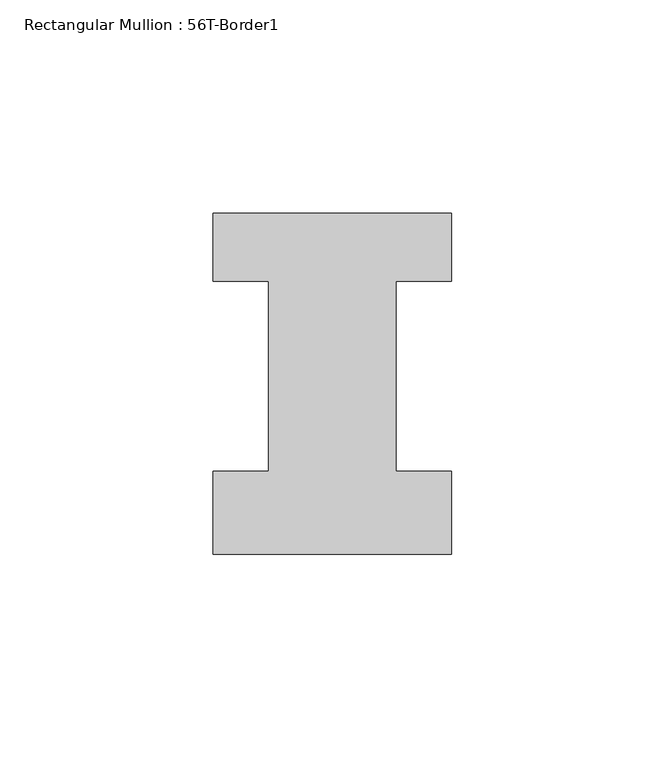
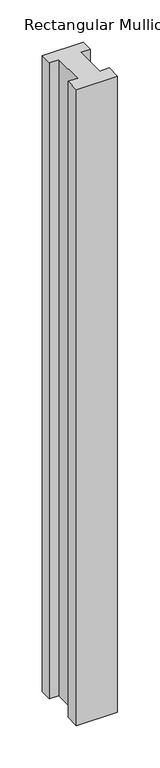
"""IFC4 building model written with IfcOpenShell, lengths in millimetres: member geometry, Rectangular Mullion : 56T-Border1."""

from ifc_helpers import new_model, si_unit, frame, origin, place, context, project, spatial, polyline, outline, extrude, source, transform, mapped, element, save


def rectangular_mullion_56t_border1_f6683b63(model_context):
    return source(origin(), model_context, "Body", "SweptSolid", [
        extrude(outline(polyline([(-56.0, -20.0), (-56.0, -0.5), (-43.0, -0.5), (-43.0, 44.0), (-56.0, 44.0), (-56.0, 60.0), (0.0, 60.0), (0.0, 44.0), (-13.0, 44.0), (-13.0, -0.5), (0.0, -0.5), (0.0, -20.0), (-56.0, -20.0)])), frame((0.0, 0.0, -916.0), z_axis=(0.0, 0.0, 1.0), x_axis=(1.0, 0.0, 0.0)), (0.0, 0.0, 1.0), 916.0),
    ])


if __name__ == "__main__":
    model = new_model("IFC4")
    model_context = context("Model", 3, world=origin())
    ifc_project = project(units=[si_unit("LENGTHUNIT", "METRE", prefix="MILLI")], contexts=[model_context])
    site = spatial("IfcSite", under=ifc_project)
    building = spatial("IfcBuilding", under=site)
    placement = place(None, origin())
    rectangular_mullion_56t_border1_shape = rectangular_mullion_56t_border1_f6683b63(model_context)
    element("IfcMember", 1, ObjectType="Rectangular Mullion : 56T-Border1", at=placement, inside=building, context=model_context, shape_type="MappedRepresentation", body=[
        mapped(rectangular_mullion_56t_border1_shape, transform((0.0, 0.0, 0.0), x_axis=(1.0, 0.0, 0.0), y_axis=(0.0, 1.0, 0.0), z_axis=(0.0, 0.0, 1.0))),
    ])
    save(model, "model.ifc")
